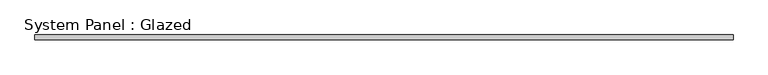
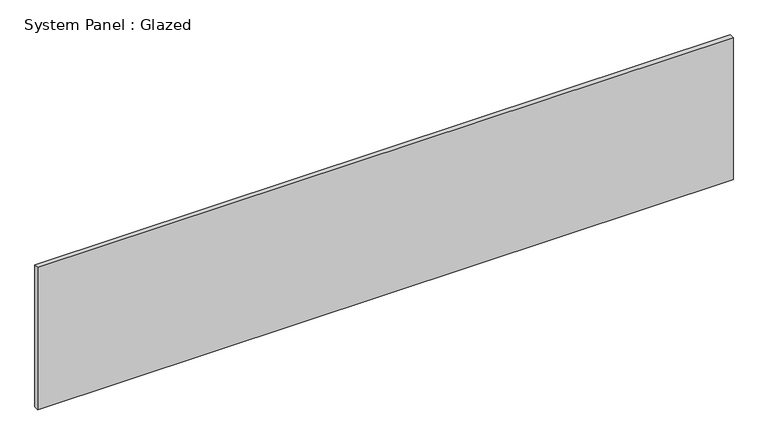
"""IFC4 building model written with IfcOpenShell, lengths in millimetres: plate geometry, System Panel : Glazed."""

from ifc_helpers import new_model, si_unit, origin, origin_with_axes, place, context, project, spatial, polyline, outline, extrude, source, transform, mapped, element, save


def system_panel_glazed_4c189a50(model_context):
    return source(origin(), model_context, "Body", "SweptSolid", [
        extrude(outline(polyline([(1850.0, 19.05), (-1850.0, 19.05), (-1850.0, 44.45), (1850.0, 44.45), (1850.0, 19.05)])), origin_with_axes(), (0.0, 0.0, 1.0), 800.0),
    ])


if __name__ == "__main__":
    model = new_model("IFC4")
    model_context = context("Model", 3, world=origin())
    ifc_project = project(units=[si_unit("LENGTHUNIT", "METRE", prefix="MILLI")], contexts=[model_context])
    site = spatial("IfcSite", under=ifc_project)
    building = spatial("IfcBuilding", under=site)
    placement = place(None, origin())
    system_panel_glazed_shape = system_panel_glazed_4c189a50(model_context)
    element("IfcPlate", 1, ObjectType="System Panel : Glazed", at=placement, inside=building, context=model_context, shape_type="MappedRepresentation", body=[
        mapped(system_panel_glazed_shape, transform((0.0, 0.0, 0.0), x_axis=(1.0, 0.0, 0.0), y_axis=(0.0, 1.0, 0.0), z_axis=(0.0, 0.0, 1.0))),
    ])
    save(model, "model.ifc")
